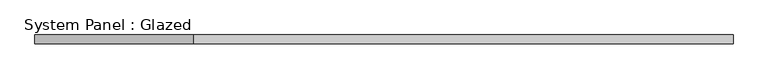
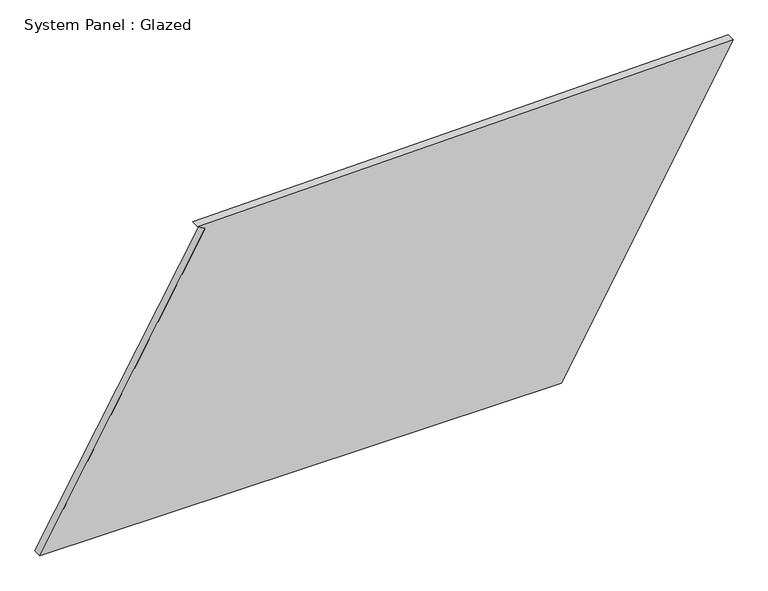
"""IFC4 building model written with IfcOpenShell, lengths in millimetres: plate geometry, System Panel : Glazed."""

from ifc_helpers import new_model, si_unit, frame, origin, place, context, project, spatial, polyline, outline, extrude, source, transform, mapped, element, save


def system_panel_glazed_576df01b(model_context):
    return source(origin(), model_context, "Body", "SweptSolid", [
        extrude(outline(polyline([(0.0, -1005.8453217), (0.0, 506.4854066), (878.6368542, 1005.8453217), (848.9449792, -548.2167782), (836.5158895, -526.5253575), (0.0, -1005.8453217)])), frame((0.0, -49.5, 0.0), z_axis=(0.0, 1.0, 0.0), x_axis=(0.0, 0.0, 1.0)), (0.0, 0.0, 1.0), 25.0),
    ])


if __name__ == "__main__":
    model = new_model("IFC4")
    model_context = context("Model", 3, world=origin())
    ifc_project = project(units=[si_unit("LENGTHUNIT", "METRE", prefix="MILLI")], contexts=[model_context])
    site = spatial("IfcSite", under=ifc_project)
    building = spatial("IfcBuilding", under=site)
    placement = place(None, origin())
    system_panel_glazed_shape = system_panel_glazed_576df01b(model_context)
    element("IfcPlate", 1, ObjectType="System Panel : Glazed", at=placement, inside=building, context=model_context, shape_type="MappedRepresentation", body=[
        mapped(system_panel_glazed_shape, transform((0.0, 0.0, 0.0), x_axis=(1.0, 0.0, 0.0), y_axis=(0.0, 1.0, 0.0), z_axis=(0.0, 0.0, 1.0))),
    ])
    save(model, "model.ifc")
